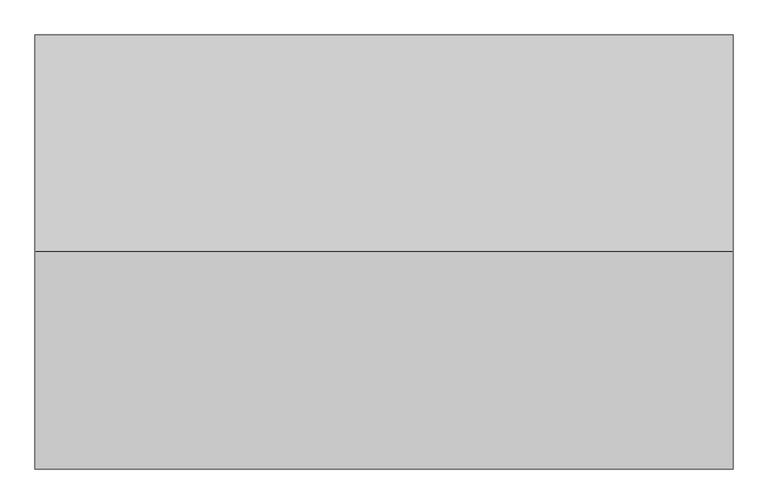
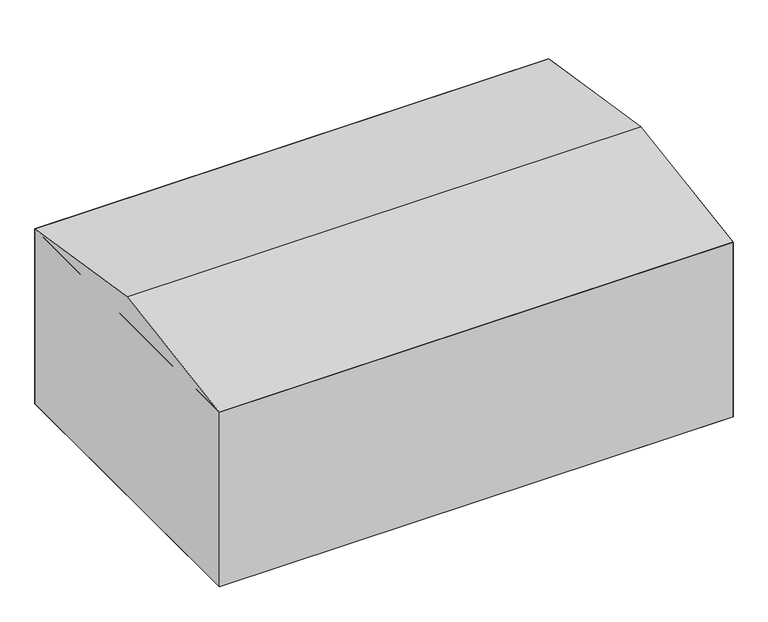
"""IFC4 building model written with IfcOpenShell, lengths in millimetres: geographic element geometry."""

from ifc_helpers import new_model, si_unit, origin, place, context, project, spatial, triangles, source, transform, mapped, element, save


def geographic_element_765bf879(model_context):
    return source(origin(), model_context, "Body", "Tessellation", [
        triangles([(12640.7830719, 8205.225325, 4406.2650581), (12640.7830719, 4397.9638206, 5008.6820663), (12640.7830719, 590.702389, 4406.2650581), (392.3741604, 8205.225325, 4406.2650581), (392.3741604, 590.702389, 4406.2650581), (392.3741604, 4397.9638206, 5008.6820663), (12640.7830719, 8205.225325, 0.0), (392.3741604, 590.702389, 0.0), (392.3741604, 8205.225325, 0.0), (12640.7830719, 590.702389, 0.0)], [[1, 2, 3], [4, 5, 6], [1, 5, 4], [5, 1, 3], [3, 6, 5], [6, 3, 2], [2, 4, 6], [4, 2, 1], [3, 4, 5], [4, 3, 1], [7, 8, 9], [8, 7, 10], [4, 8, 5], [8, 4, 9], [3, 8, 10], [8, 3, 5], [4, 7, 9], [7, 4, 1], [7, 3, 10], [3, 7, 1]], closed=False),
    ])


if __name__ == "__main__":
    model = new_model("IFC4")
    model_context = context("Model", 3, world=origin())
    ifc_project = project(units=[si_unit("LENGTHUNIT", "METRE", prefix="MILLI")], contexts=[model_context])
    site = spatial("IfcSite", under=ifc_project)
    building = spatial("IfcBuilding", under=site)
    placement = place(None, origin())
    geographic_element_shape = geographic_element_765bf879(model_context)
    element("IfcGeographicElement", 1, at=placement, inside=building, context=model_context, shape_type="MappedRepresentation", body=[
        mapped(geographic_element_shape, transform((0.0, 0.0, 0.0), x_axis=(1.0, 0.0, 0.0), y_axis=(0.0, 1.0, 0.0), z_axis=(0.0, 0.0, 1.0))),
    ])
    save(model, "model.ifc")
